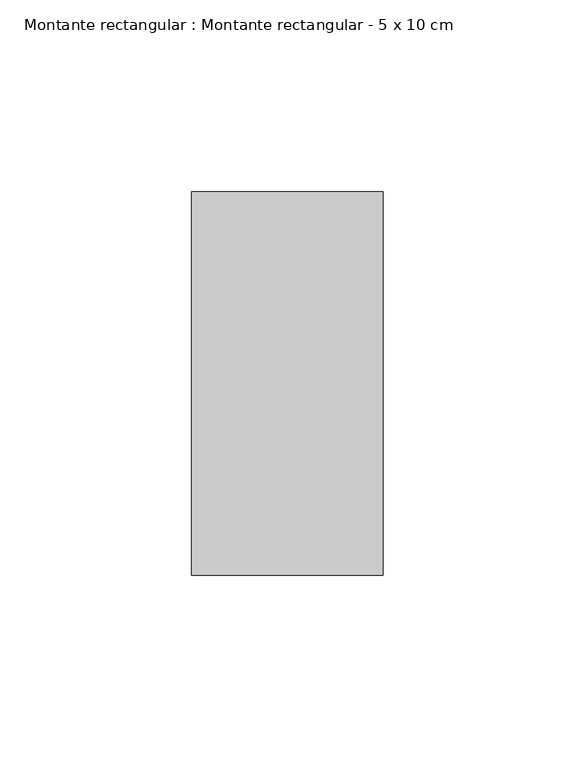
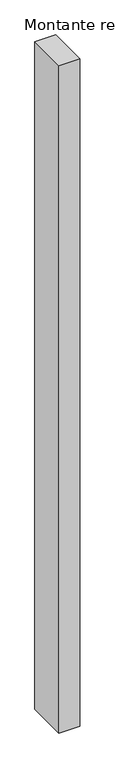
"""IFC4 building model written with IfcOpenShell, lengths in millimetres: member geometry, Montante rectangular : Montante rectangular - 5 x 10 cm."""

from ifc_helpers import new_model, si_unit, frame, origin, place, context, project, spatial, polyline, outline, extrude, source, transform, mapped, element, save


def montante_rectangular_montante_rectangular_5_x_10_cm_05e8f9d4(model_context):
    return source(origin(), model_context, "Body", "SweptSolid", [
        extrude(outline(polyline([(0.0, 50.0), (0.0, -50.0), (-50.0, -50.0), (-50.0, 50.0), (0.0, 50.0)])), frame((0.0, 0.0, -1700.0), z_axis=(0.0, 0.0, 1.0), x_axis=(1.0, 0.0, 0.0)), (0.0, 0.0, 1.0), 1700.0),
    ])


if __name__ == "__main__":
    model = new_model("IFC4")
    model_context = context("Model", 3, world=origin())
    ifc_project = project(units=[si_unit("LENGTHUNIT", "METRE", prefix="MILLI")], contexts=[model_context])
    site = spatial("IfcSite", under=ifc_project)
    building = spatial("IfcBuilding", under=site)
    placement = place(None, origin())
    montante_rectangular_montante_rectangular_5_x_10_cm_shape = montante_rectangular_montante_rectangular_5_x_10_cm_05e8f9d4(model_context)
    element("IfcMember", 1, ObjectType="Montante rectangular : Montante rectangular - 5 x 10 cm", at=placement, inside=building, context=model_context, shape_type="MappedRepresentation", body=[
        mapped(montante_rectangular_montante_rectangular_5_x_10_cm_shape, transform((0.0, 0.0, 0.0), x_axis=(1.0, 0.0, 0.0), y_axis=(0.0, 1.0, 0.0), z_axis=(0.0, 0.0, 1.0))),
    ])
    save(model, "model.ifc")
